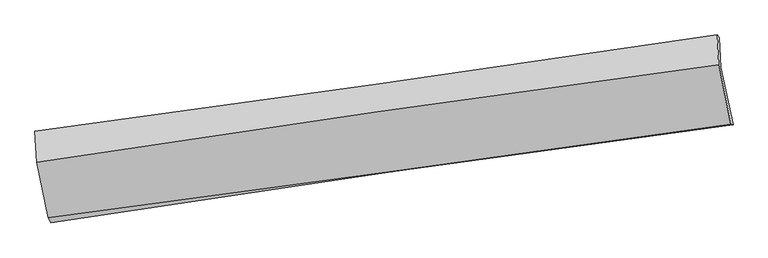
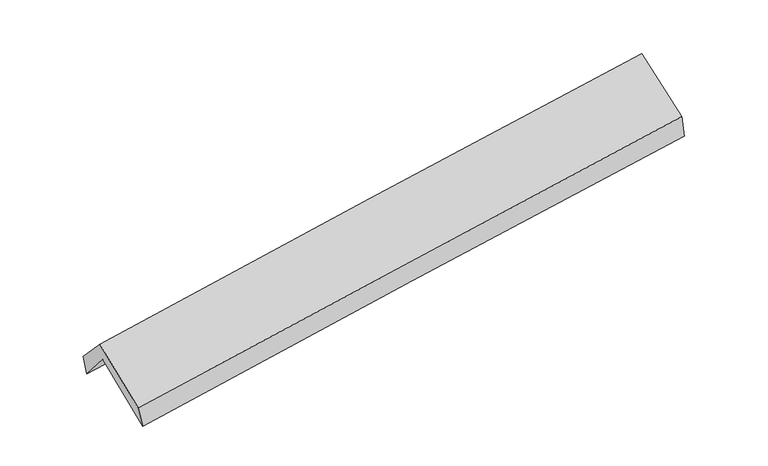
"""IFC4 building model written with IfcOpenShell, lengths in millimetres: proxy geometry."""

from ifc_helpers import new_model, si_unit, frame, origin, place, context, project, spatial, source, transform, mapped, element, save
from ifc_brep_helpers import plane_surface, spline_curve, spline_surface, advanced_brep


def generic_models_384e186b(model_context):
    return source(origin(), model_context, "Body", "AdvancedBrep", [
        advanced_brep(
        [(-2890.2576349, -2512.7986157, 1444.4667451), (-2998.3239198, -2007.0952995, 1883.5974301), (2937.2767086, -1160.0918831, 2370.4412785), (3045.2927482, -1661.2381165, 1933.7366633), (-3009.1134665, -1750.5383429, 1578.4601285), (2926.169625, -902.9636421, 2068.1432901), (-3028.5362468, -1716.2410696, 1753.2272761), (2908.6862202, -877.8059016, 2233.3269003), (-3014.5201422, -1983.4776523, 2037.7691805), (2919.8391762, -1135.9960865, 2536.8733843), (-2911.0386161, -2469.6156084, 1620.4684362), (3026.605798, -1655.6757179, 2146.307958)],
        [
            (0, 1),
            (1, 2, spline_curve(3, [(-2998.3239198, -2007.0952995, 1883.5974301), (-2008.674348572, -1861.420313362, 1952.450541681), (-1019.211345622, -1717.998534259, 2027.447874386), (959.322189922, -1435.664150294, 2189.729397409), (1948.392729755, -1296.751457159, 2277.013347357), (2937.2767086, -1160.0918831, 2370.4412785)], [4, 2, 4], [0.0, 9.868818430064525, 19.7374439871229])),
            (2, 3),
            (3, 0, spline_curve(3, [(3045.2927482, -1661.2381165, 1933.7366633), (2054.543813932, -1789.732026607, 1847.176914944), (1064.544974657, -1924.941597239, 1763.1249217), (-913.971849193, -2208.794834757, 1600.034850995), (-1902.489803916, -2357.438763605, 1520.996871725), (-2890.2576349, -2512.7986157, 1444.4667451)], [4, 2, 4], [0.0, 9.868625557058376, 19.7374439871229])),
            (1, 4),
            (4, 5, spline_curve(3, [(-3009.1134665, -1750.5383429, 1578.4601285), (-2018.821811553, -1608.313846906, 1645.494599911), (-1029.06423157, -1466.569688366, 1719.819235614), (949.363444505, -1184.044806649, 1883.047240933), (1938.033561945, -1043.264065018, 1971.950325673), (2926.169625, -902.9636421, 2068.1432901)], [4, 2, 4], [0.0, 9.868208763220812, 19.736224665350605])),
            (5, 2),
            (4, 6),
            (6, 7, spline_curve(3, [(-3028.5362468, -1716.2410696, 1753.2272761), (-2038.535519686, -1582.770224252, 1838.18955472), (-1048.761784438, -1446.164490835, 1920.679362934), (930.312362455, -1166.685979211, 2080.712474033), (1919.612782997, -1023.813322982, 2158.255874147), (2908.6862202, -877.8059016, 2233.3269003)], [4, 2, 4], [0.0, 9.867894009333666, 19.735595163727762])),
            (7, 5),
            (6, 8),
            (8, 9, spline_curve(3, [(-3014.5201422, -1983.4776523, 2037.7691805), (-2026.514422823, -1832.440248828, 2116.899109141), (-1037.976782344, -1686.297440904, 2198.056516713), (940.143011288, -1403.803776805, 2364.424664148), (1929.725143458, -1267.452729545, 2449.635324354), (2919.8391762, -1135.9960865, 2536.8733843)], [4, 2, 4], [0.0, 9.86772874949779, 19.735264647285796])),
            (9, 7),
            (8, 10),
            (10, 11, spline_curve(3, [(-2911.0386161, -2469.6156084, 1620.4684362), (-1921.103103152, -2338.020049803, 1710.964476145), (-931.326811927, -2204.393263752, 1800.032870375), (1047.88798657, -1933.079887705, 1975.312655003), (2037.326499978, -1795.393377008, 2061.524101265), (3026.605798, -1655.6757179, 2146.307958)], [4, 2, 4], [0.0, 9.868407759981329, 19.73662265498251])),
            (11, 9),
            (10, 0),
            (3, 11),
        ],
        [
            spline_surface(3, 3, [[(-2890.2576349, -2512.7986157, 1444.4667451), (-1902.489803979, -2357.438763472, 1520.996871619), (-913.97184911, -2208.794834623, 1600.034850958), (1064.544974573, -1924.941597372, 1763.124921737), (2054.543814078, -1789.732026534, 1847.176915089), (3045.2927482, -1661.2381165, 1933.7366633)], [(-2926.279729869, -2344.230843621, 1590.843640106), (-1937.884652197, -2192.099280039, 1664.814761593), (-949.051681287, -2045.196067852, 1742.505858773), (1029.470713002, -1761.849115003, 1905.326413611), (2019.160119277, -1625.405170051, 1990.455725804), (3009.287401663, -1494.189372063, 2079.304868349)], [(-2962.301824831, -2175.663071579, 1737.220535094), (-1973.279500409, -2026.759796644, 1808.63265155), (-984.131513423, -1881.59730107, 1884.976866604), (994.396451473, -1598.756632624, 2047.527905502), (1983.776424487, -1461.078313479, 2133.734536571), (2973.282055137, -1327.140627537, 2224.873073451)], [(-2998.3239198, -2007.0952995, 1883.5974301), (-2008.674348627, -1861.420313212, 1952.450541524), (-1019.211345601, -1717.998534298, 2027.44787442), (959.322189901, -1435.664150255, 2189.729397376), (1948.392729686, -1296.751456997, 2277.013347286), (2937.2767086, -1160.0918831, 2370.4412785)]], [4, 4], [4, 2, 4], [0.0, 2.1602436708195905], [0.0, 9.868818430064525, 19.7374439871229]),
            spline_surface(3, 3, [[(-2998.3239198, -2007.0952995, 1883.5974301), (-2008.674348627, -1861.420313212, 1952.450541524), (-1019.211345601, -1717.998534298, 2027.44787442), (959.322189901, -1435.664150255, 2189.729397376), (1948.392729686, -1296.751456997, 2277.013347286), (2937.2767086, -1160.0918831, 2370.4412785)], [(-3001.920435385, -1921.57631397, 1781.884996232), (-2012.056836256, -1777.0514911, 1850.131894266), (-1022.495640939, -1634.188918953, 1924.904994782), (956.002608161, -1351.791035757, 2087.502011918), (1944.93967378, -1212.255659679, 2175.325673456), (2933.574347392, -1074.382469409, 2269.675282378)], [(-3005.516950915, -1836.05732843, 1680.172562368), (-2015.439323832, -1692.682668979, 1747.813247013), (-1025.779936342, -1550.379303603, 1822.362115163), (952.683026356, -1267.917921255, 1985.274626479), (1941.486617899, -1127.759862436, 2073.637999591), (2929.871986208, -988.673055791, 2168.909286222)], [(-3009.1134665, -1750.5383429, 1578.4601285), (-2018.821811461, -1608.313846868, 1645.494599755), (-1029.064231681, -1466.569688257, 1719.819235526), (949.363444615, -1184.044806757, 1883.047241021), (1938.033561993, -1043.264065118, 1971.950325761), (2926.169625, -902.9636421, 2068.1432901)]], [4, 4], [4, 2, 4], [0.0, 1.302898061108413], [0.0, 9.868208763220812, 19.736224665350605]),
            spline_surface(3, 3, [[(-3009.1134665, -1750.5383429, 1578.4601285), (-2018.821811461, -1608.313846868, 1645.494599755), (-1029.064231681, -1466.569688257, 1719.819235526), (949.363444615, -1184.044806757, 1883.047241021), (1938.033561993, -1043.264065118, 1971.950325761), (2926.169625, -902.9636421, 2068.1432901)], [(-3015.587726592, -1739.105918482, 1636.715844377), (-2025.393047476, -1599.799306026, 1709.726251394), (-1035.63008259, -1459.767955819, 1786.772611271), (943.013083868, -1178.258530853, 1948.93565207), (1931.893302302, -1036.780484448, 2034.052175208), (2920.341823394, -894.577728594, 2123.204493483)], [(-3022.061986708, -1727.673494018, 1694.971560223), (-2031.964283516, -1591.284765138, 1773.957903004), (-1042.195933474, -1452.96622341, 1853.725987034), (936.662723148, -1172.472254979, 2014.824063138), (1925.753042629, -1030.296903797, 2096.154024705), (2914.514021806, -886.191815106, 2178.265696917)], [(-3028.5362468, -1716.2410696, 1753.2272761), (-2038.535519531, -1582.770224297, 1838.189554643), (-1048.761784384, -1446.164490971, 1920.679362779), (930.312362401, -1166.685979074, 2080.712474188), (1919.612782939, -1023.813323128, 2158.255874151), (2908.6862202, -877.8059016, 2233.3269003)]], [4, 4], [4, 2, 4], [0.0, 0.6597468354663699], [0.0, 9.867894009333666, 19.735595163727762]),
            spline_surface(3, 3, [[(-3028.5362468, -1716.2410696, 1753.2272761), (-2038.535519531, -1582.770224297, 1838.189554643), (-1048.761784384, -1446.164490971, 1920.679362779), (930.312362401, -1166.685979074, 2080.712474188), (1919.612782939, -1023.813323128, 2158.255874151), (2908.6862202, -877.8059016, 2233.3269003)], [(-3023.864211928, -1805.319930471, 1848.074577557), (-2034.528487322, -1665.993565746, 1931.092739514), (-1045.166783716, -1526.208807584, 2013.138414164), (933.58924534, -1245.725245005, 2175.283204164), (1922.983569802, -1105.026458598, 2255.382357576), (2912.403872221, -963.869296579, 2334.509061643)], [(-3019.192177072, -1894.398791429, 1942.921879043), (-2030.521455128, -1749.216907281, 2023.995924413), (-1041.571782995, -1606.253124213, 2105.597465454), (936.866128331, -1324.764510953, 2269.853934046), (1926.354356602, -1186.23959403, 2352.508840972), (2916.121524179, -1049.932691521, 2435.691222957)], [(-3014.5201422, -1983.4776523, 2037.7691805), (-2026.514422919, -1832.44024873, 2116.899109284), (-1037.976782327, -1686.297440825, 2198.056516839), (940.143011271, -1403.803776884, 2364.424664023), (1929.725143465, -1267.452729501, 2449.635324396), (2919.8391762, -1135.9960865, 2536.8733843)]], [4, 4], [4, 2, 4], [0.0, 1.2088174912663137], [0.0, 9.86772874949779, 19.735264647285796]),
            spline_surface(3, 3, [[(-3014.5201422, -1983.4776523, 2037.7691805), (-2026.514422919, -1832.44024873, 2116.899109284), (-1037.976782327, -1686.297440825, 2198.056516839), (940.143011271, -1403.803776884, 2364.424664023), (1929.725143465, -1267.452729501, 2449.635324396), (2919.8391762, -1135.9960865, 2536.8733843)], [(-2980.026300152, -2145.523637679, 1898.6689324), (-1991.37731633, -2000.966849153, 1981.58756486), (-1002.42679217, -1858.996048519, 2065.381967978), (976.05800305, -1580.229147154, 2234.720661037), (1965.592262304, -1443.432945313, 2320.264916738), (2955.42805013, -1309.222630317, 2406.684908874)], [(-2945.532458148, -2307.569623021, 1759.5686843), (-1956.240209785, -2169.493449539, 1846.276020437), (-966.876802068, -2031.694656141, 1932.707419145), (1011.972994774, -1756.654517352, 2105.016658079), (2001.459381154, -1619.413161074, 2190.894509057), (2991.01692407, -1482.449174083, 2276.496433426)], [(-2911.0386161, -2469.6156084, 1620.4684362), (-1921.103103196, -2338.020049963, 1710.964476012), (-931.326811911, -2204.393263834, 1800.032870285), (1047.887986554, -1933.079887622, 1975.312655093), (2037.326499992, -1795.393376886, 2061.524101399), (3026.605798, -1655.6757179, 2146.307958)]], [4, 4], [4, 2, 4], [0.0, 2.177830016129803], [0.0, 9.868407759981329, 19.73662265498251]),
            spline_surface(3, 3, [[(-2911.0386161, -2469.6156084, 1620.4684362), (-1921.103103196, -2338.020049963, 1710.964476012), (-931.326811911, -2204.393263834, 1800.032870285), (1047.887986554, -1933.079887622, 1975.312655093), (2037.326499992, -1795.393376886, 2061.524101399), (3026.605798, -1655.6757179, 2146.307958)], [(-2904.111622374, -2484.009944177, 1561.801205829), (-1914.898670131, -2344.492954476, 1647.64194121), (-925.54182431, -2205.860454084, 1733.366863838), (1053.440315894, -1930.367124192, 1904.583410636), (2043.065604688, -1793.506260073, 1990.075039302), (3032.8347814, -1657.529850738, 2075.450859772)], [(-2897.184628626, -2498.404279923, 1503.133975471), (-1908.694237044, -2350.965858958, 1584.319406421), (-919.75683671, -2207.327644373, 1666.700857405), (1058.992645233, -1927.654360801, 1833.854166193), (2048.804709383, -1791.619143346, 1918.625977186), (3039.0637648, -1659.383983662, 2004.593761528)], [(-2890.2576349, -2512.7986157, 1444.4667451), (-1902.489803979, -2357.438763472, 1520.996871619), (-913.97184911, -2208.794834623, 1600.034850958), (1064.544974573, -1924.941597372, 1763.124921737), (2054.543814078, -1789.732026534, 1847.176915089), (3045.2927482, -1661.2381165, 1933.7366633)]], [4, 4], [4, 2, 4], [0.0, 0.6784830710314852], [0.0, 9.869166541006546, 19.738140202203574]),
            plane_surface(frame((2960.645046, -1232.2952246, 2214.8049124), z_axis=(0.9866225771522881, 0.14027296167040387, 0.083062545576155), x_axis=(0.16206414510244965, -0.788836752408705, -0.5928505637354996))),
            plane_surface(frame((-2975.2983377, -2073.2944314, 1719.6648661), z_axis=(-0.9868092058311825, -0.13939946045439913, -0.08231270686749045), x_axis=(-0.11392489987187596, 0.23673664609398581, 0.9648714305985819))),
        ],
        [
            (0, [[1, 2, 3, 4]]),
            (1, [[5, 6, 7, -2]]),
            (2, [[8, 9, 10, -6]]),
            (3, [[11, 12, 13, -9]]),
            (4, [[14, 15, 16, -12]]),
            (5, [[17, -4, 18, -15]]),
            (6, [[-16, -18, -3, -7, -10, -13]]),
            (7, [[-17, -14, -11, -8, -5, -1]]),
        ],
    ),
    ])


if __name__ == "__main__":
    model = new_model("IFC4")
    model_context = context("Model", 3, world=origin())
    ifc_project = project(units=[si_unit("LENGTHUNIT", "METRE", prefix="MILLI")], contexts=[model_context])
    site = spatial("IfcSite", under=ifc_project)
    building = spatial("IfcBuilding", under=site)
    placement = place(None, origin())
    generic_models_shape = generic_models_384e186b(model_context)
    element("IfcBuildingElementProxy", 1, Name="Generic Models", at=placement, inside=building, context=model_context, shape_type="MappedRepresentation", body=[
        mapped(generic_models_shape, transform((0.0, 0.0, 0.0), x_axis=(1.0, 0.0, 0.0), y_axis=(0.0, 1.0, 0.0), z_axis=(0.0, 0.0, 1.0))),
    ])
    save(model, "model.ifc")
